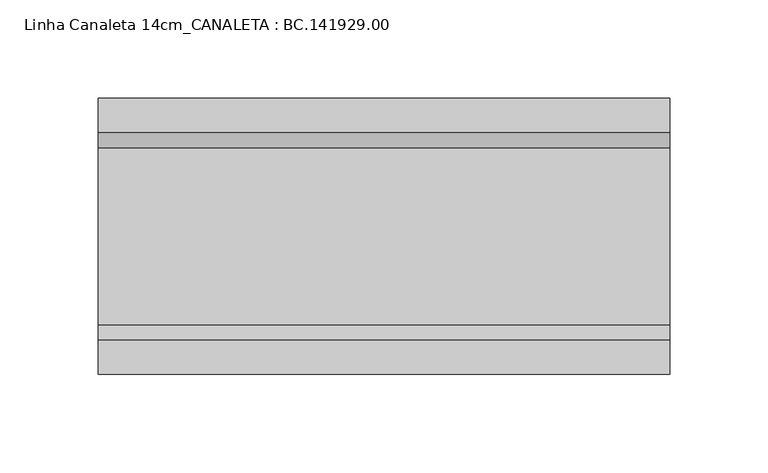
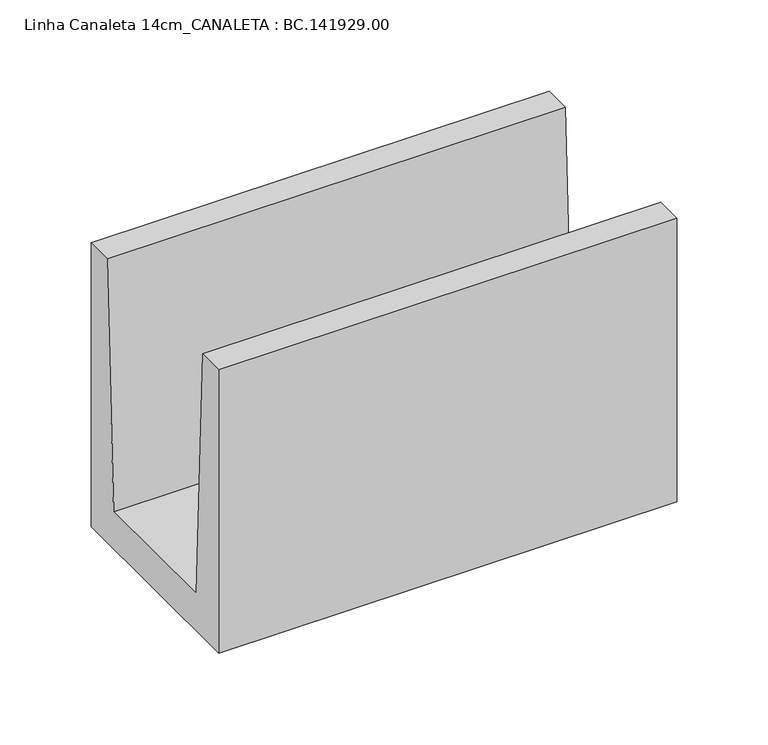
"""IFC4 building model written with IfcOpenShell, lengths in millimetres: proxy geometry, Linha Canaleta 14cm_CANALETA : BC.141929.00."""

import ifcopenshell
import ifcopenshell.guid

model = None  # the IFC model being written
_history = None  # IfcOwnerHistory: only IFC2X3 demands one
_inside = {}  # id of a spatial element -> (the spatial element, [elements in it])
_under = {}  # id of a project, library or spatial element -> (it, [spatial elements below it])
_declared = {}  # id of a project -> (the project, [libraries it declares])
_typed = {}  # id of a type object -> (the type object, [elements of that type])
_made_of = {}  # id of a material, layer set ... -> (it, [elements and type objects made of it])


def new_model(schema):
    """Start an empty IFC model of exactly this schema.

    Asked for "IFC4X3", IfcOpenShell would pick the latest addendum, in which some entities
    have other attributes; the version numbers below select the first issue.
    IFC2X3 requires an IfcOwnerHistory on every rooted entity: one is made here for all.
    """
    global model, _history
    if schema == "IFC4X3":
        model = ifcopenshell.file(schema_version=(4, 3, 0, 0))
    else:
        model = ifcopenshell.file(schema=schema)
    _inside.clear()
    _under.clear()
    _declared.clear()
    _typed.clear()
    _made_of.clear()
    _history = None
    if model.schema == "IFC2X3":
        org = make("IfcOrganization", Name="unknown")
        user = make(
            "IfcPersonAndOrganization",
            ThePerson=make("IfcPerson", FamilyName="unknown"),
            TheOrganization=org,
        )
        app = make(
            "IfcApplication",
            ApplicationDeveloper=org,
            Version="unknown",
            ApplicationFullName="unknown",
            ApplicationIdentifier="unknown",
        )
        _history = make(
            "IfcOwnerHistory",
            OwningUser=user,
            OwningApplication=app,
            ChangeAction="ADDED",
            CreationDate=0,
        )
    return model


def make(cls, **values):
    """One entity of the class cls with the attributes given. An attribute that is None is left unset."""
    return model.create_entity(
        cls, **{name: value for name, value in values.items() if value is not None}
    )


def rooted(cls, **values):
    """An entity with a GlobalId (a new one), such as an element, a storey or a relation."""
    return make(cls, GlobalId=ifcopenshell.guid.new(), OwnerHistory=_history, **values)


def si_unit(unit_type, name, prefix=None):
    """IfcSIUnit, for example si_unit("LENGTHUNIT", "METRE", prefix="MILLI")."""
    return make("IfcSIUnit", UnitType=unit_type, Prefix=prefix, Name=name)


def assignment(units):
    """IfcUnitAssignment: the units of a project."""
    return None if units is None else make("IfcUnitAssignment", Units=units)


def point(xyz):
    """IfcCartesianPoint."""
    return None if xyz is None else make("IfcCartesianPoint", Coordinates=xyz)


def direction(xyz):
    """IfcDirection."""
    return None if xyz is None else make("IfcDirection", DirectionRatios=xyz)


def frame(location, z_axis=None, x_axis=None):
    """IfcAxis2Placement3D, a coordinate frame: its origin and axes. An axis left out is left unset."""
    return make(
        "IfcAxis2Placement3D",
        Location=point(location),
        Axis=direction(z_axis),
        RefDirection=direction(x_axis),
    )


def origin():
    """The frame at (0, 0, 0) with its axes left unset."""
    return frame((0.0, 0.0, 0.0))


def place(relative_to, where):
    """IfcLocalPlacement: puts the frame where relative to a parent placement (None: the world)."""
    return make(
        "IfcLocalPlacement", PlacementRelTo=relative_to, RelativePlacement=where
    )


def context(
    kind, dimensions, precision=None, world=None, true_north=None, identifier=None
):
    """IfcGeometricRepresentationContext, for example the 3D "Model" context."""
    return make(
        "IfcGeometricRepresentationContext",
        ContextIdentifier=identifier,
        ContextType=kind,
        CoordinateSpaceDimension=dimensions,
        Precision=precision,
        WorldCoordinateSystem=world,
        TrueNorth=true_north,
    )


def project(units=None, contexts=None):
    """IfcProject with its units and contexts."""
    return rooted(
        "IfcProject",
        Name="project",
        RepresentationContexts=contexts,
        UnitsInContext=assignment(units),
    )


def spatial(cls, under=None, at=None, **own):
    """A site, building, storey or space (cls), placed at a placement, below another one or the project."""
    s = rooted(cls, ObjectPlacement=at, **own)
    if under is not None:
        _under.setdefault(under.id(), (under, []))[1].append(s)
    return s


def polyline(points):
    """IfcPolyline through the points."""
    return make("IfcPolyline", Points=[point(p) for p in points])


def outline(outer, holes=None, kind="AREA"):
    """IfcArbitraryClosedProfileDef: a profile drawn as a closed curve; with holes, ...WithVoids."""
    if holes is None:
        return make("IfcArbitraryClosedProfileDef", ProfileType=kind, OuterCurve=outer)
    return make(
        "IfcArbitraryProfileDefWithVoids",
        ProfileType=kind,
        OuterCurve=outer,
        InnerCurves=holes,
    )


def extrude(swept, where, along, depth):
    """IfcExtrudedAreaSolid: the profile swept, set in the frame where, extruded along a direction by depth."""
    return make(
        "IfcExtrudedAreaSolid",
        SweptArea=swept,
        Position=where,
        ExtrudedDirection=direction(along),
        Depth=depth,
    )


def shape(context_of_items, identifier, shape_type, items):
    """IfcShapeRepresentation: the items that make up one representation, for example the "Body"."""
    return make(
        "IfcShapeRepresentation",
        ContextOfItems=context_of_items,
        RepresentationIdentifier=identifier,
        RepresentationType=shape_type,
        Items=items,
    )


def source(mapping_origin, context_of_items, identifier, shape_type, items):
    """IfcRepresentationMap: a shape defined once, which mapped items show again and again."""
    return make(
        "IfcRepresentationMap",
        MappingOrigin=mapping_origin,
        MappedRepresentation=shape(context_of_items, identifier, shape_type, items),
    )


def transform(
    local_origin,
    x_axis=None,
    y_axis=None,
    z_axis=None,
    scale=None,
    scale2=None,
    scale3=None,
    uniform=True,
):
    """IfcCartesianTransformationOperator3D, or its non-uniform kind. x_axis, y_axis, z_axis: its Axis1, 2, 3."""
    if uniform:
        return make(
            "IfcCartesianTransformationOperator3D",
            Axis1=direction(x_axis),
            Axis2=direction(y_axis),
            LocalOrigin=point(local_origin),
            Scale=scale,
            Axis3=direction(z_axis),
        )
    return make(
        "IfcCartesianTransformationOperator3DnonUniform",
        Axis1=direction(x_axis),
        Axis2=direction(y_axis),
        LocalOrigin=point(local_origin),
        Scale=scale,
        Axis3=direction(z_axis),
        Scale2=scale2,
        Scale3=scale3,
    )


def mapped(mapping_source, mapping_target):
    """IfcMappedItem: shows the shape of a source again, moved by a transform."""
    return make(
        "IfcMappedItem", MappingSource=mapping_source, MappingTarget=mapping_target
    )


def made_of(thing, what):
    """Note that an element or type object is made of a material, layer set ...; save() writes the relation."""
    if what is not None:
        _made_of.setdefault(what.id(), (what, []))[1].append(thing)
    return thing


def element(
    cls,
    number,
    at=None,
    inside=None,
    cuts=None,
    type_object=None,
    material=None,
    context=None,
    identifier="Body",
    shape_type=None,
    held_by="IfcProductDefinitionShape",
    body=None,
    shapes=None,
    **own,
):
    """One element of the class cls, such as IfcWall. Its Tag is "e" and its number.

    at: its placement. inside: the storey or other place that contains it. cuts: it is an
    opening in that element (IfcRelVoidsElement). A single representation is given by context,
    identifier, shape_type and body (its items); several are given by shapes. held_by: the class
    of the entity that holds the representations. save() writes the other relations.
    """
    e = rooted(cls, Tag="e%d" % number, ObjectPlacement=at, **own)
    if body is not None:
        shapes = [shape(context, identifier, shape_type, body)]
    if shapes is not None:
        e.Representation = make(held_by, Representations=shapes)
    if inside is not None:
        _inside.setdefault(inside.id(), (inside, []))[1].append(e)
    if cuts is not None:
        rooted(
            "IfcRelVoidsElement", RelatingBuildingElement=cuts, RelatedOpeningElement=e
        )
    if type_object is not None:
        _typed.setdefault(type_object.id(), (type_object, []))[1].append(e)
    return made_of(e, material)


def aggregate(whole, parts):
    """IfcRelAggregates: a whole, such as a stair, and the parts it consists of."""
    return rooted("IfcRelAggregates", RelatingObject=whole, RelatedObjects=parts)


def save(model, path):
    """Write the relations noted so far, then the file.

    IfcRelAggregates (storeys below a building ...), IfcRelContainedInSpatialStructure (elements
    in a storey), IfcRelDefinesByType, IfcRelAssociatesMaterial and IfcRelDeclares: one each for
    every whole, place, type object, material and project.
    """
    for whole, parts in _under.values():
        aggregate(whole, parts)
    for where, things in _inside.values():
        rooted(
            "IfcRelContainedInSpatialStructure",
            RelatedElements=things,
            RelatingStructure=where,
        )
    for kind, things in _typed.values():
        rooted("IfcRelDefinesByType", RelatedObjects=things, RelatingType=kind)
    for what, things in _made_of.values():
        rooted("IfcRelAssociatesMaterial", RelatedObjects=things, RelatingMaterial=what)
    for by, libraries in _declared.values():
        rooted("IfcRelDeclares", RelatingContext=by, RelatedDefinitions=libraries)
    model.write(path)


def linha_canaleta_14cm_canaleta_bc_141929_00_7ec08d1b(model_context):
    return source(origin(), model_context, "Body", "SweptSolid", [
        extrude(outline(polyline([(70.0050293, 189.9977051), (70.0050293, 0.0), (-70.0050293, 0.0), (-70.0050293, 189.9977051), (-52.4923553, 189.9977051), (-45.0019043, 25.003125), (45.0019043, 25.003125), (52.4923553, 189.9977051), (70.0050293, 189.9977051)])), frame((5.0, 0.0, 0.0), z_axis=(1.0, 0.0, 0.0), x_axis=(0.0, 1.0, 0.0)), (0.0, 0.0, 1.0), 290.0),
    ])


if __name__ == "__main__":
    model = new_model("IFC4")
    model_context = context("Model", 3, world=origin())
    ifc_project = project(units=[si_unit("LENGTHUNIT", "METRE", prefix="MILLI")], contexts=[model_context])
    site = spatial("IfcSite", under=ifc_project)
    building = spatial("IfcBuilding", under=site)
    placement = place(None, origin())
    linha_canaleta_14cm_canaleta_bc_141929_00_shape = linha_canaleta_14cm_canaleta_bc_141929_00_7ec08d1b(model_context)
    element("IfcBuildingElementProxy", 1, Name="Linha Canaleta 14cm_CANALETA : BC.141929.00", ObjectType="Linha Canaleta 14cm_CANALETA : BC.141929.00", at=placement, inside=building, context=model_context, shape_type="MappedRepresentation", body=[
        mapped(linha_canaleta_14cm_canaleta_bc_141929_00_shape, transform((0.0, 0.0, 0.0), x_axis=(1.0, 0.0, 0.0), y_axis=(0.0, 1.0, 0.0), z_axis=(0.0, 0.0, 1.0))),
    ])
    save(model, "model.ifc")
